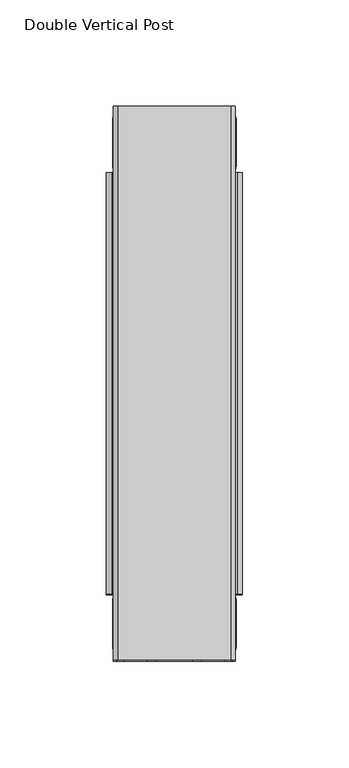
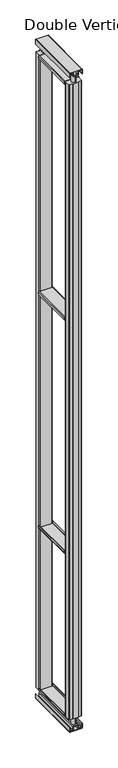
"""IFC4 building model written with IfcOpenShell, lengths in millimetres: proxy geometry, Double Vertical Post."""

from ifc_helpers import new_model, si_unit, point, frame, frame_2d, origin, place, context, project, spatial, polyline, circle_curve, trimmed, segment, composite_curve, outline, extrude, source, transform, mapped, element, save


def double_vertical_post_fbb69291(model_context):
    return source(origin(), model_context, "Body", "SweptSolid", [
        extrude(outline(composite_curve([segment(trimmed(circle_curve(frame_2d((105.9844667, 9.4130426)), 9.647555), [point((105.9844667, 19.0605976))], [point((105.9844667, -0.2345124))], False, "CARTESIAN"), True, "CONTINUOUS"), segment(trimmed(circle_curve(frame_2d((105.9844667, 9.4130426)), 9.647555), [point((105.9844667, -0.2345124))], [point((105.9844667, 19.0605976))], False, "CARTESIAN"), True, "CONTINUOUS")], self_intersect=False)), frame((0.0, 0.0, 22.59584), z_axis=(0.0, 0.0, 1.0), x_axis=(1.0, 0.0, 0.0)), (0.0, 0.0, 1.0), 3040.90832),
        extrude(outline(composite_curve([segment(trimmed(circle_curve(frame_2d((105.9844667, 237.2304325)), 9.647555), [point((105.9844667, 246.8779875))], [point((105.9844667, 227.5828775))], False, "CARTESIAN"), True, "CONTINUOUS"), segment(trimmed(circle_curve(frame_2d((105.9844667, 237.2304325)), 9.647555), [point((105.9844667, 227.5828775))], [point((105.9844667, 246.8779875))], False, "CARTESIAN"), True, "CONTINUOUS")], self_intersect=False)), frame((0.0, 0.0, 22.59584), z_axis=(0.0, 0.0, 1.0), x_axis=(1.0, 0.0, 0.0)), (0.0, 0.0, 1.0), 3040.90832),
        extrude(outline(composite_curve([segment(polyline([(1.2192, 78.5905667), (22.1742, 78.5905667), (22.1742, 77.3713667), (2.2593983, 77.3713667)]), True, "CONTINUOUS"), segment(trimmed(circle_curve(frame_2d((2.2593983, 79.630765)), 2.2593983), [point((2.2593983, 77.3713667))], [point((0.0, 79.630765))], False, "CARTESIAN"), True, "CONTINUOUS"), segment(polyline([(0.0, 79.630765), (0.0, 132.4154333)]), True, "CONTINUOUS"), segment(trimmed(circle_curve(frame_2d((2.1821334, 132.4154333)), 2.1821334), [point((0.0, 132.4154333))], [point((2.1821334, 134.5975667))], False, "CARTESIAN"), True, "CONTINUOUS"), segment(polyline([(2.1821334, 134.5975667), (22.1742, 134.5975667), (22.1742, 133.3783667), (1.2192, 133.3783667), (1.2192, 78.5905667)]), True, "CONTINUOUS")], self_intersect=False)), frame((0.0, -6.8532625, 0.0), z_axis=(0.0, 1.0, 0.0), x_axis=(0.0, 0.0, 1.0)), (0.0, 0.0, 1.0), 260.35),
        extrude(outline(composite_curve([segment(polyline([(6.21284, 82.2208617), (15.875, 82.2208617), (15.875, 79.1830217), (3.175, 79.1830217), (3.175, 96.3280217), (19.558, 96.3280217), (19.558, 115.6320217), (3.175, 115.6320217), (3.175, 132.7770217), (15.875, 132.7770217), (15.875, 129.7391817), (6.21284, 129.7391817), (6.21284, 118.6698617), (18.2719045, 118.6698617)]), True, "CONTINUOUS"), segment(trimmed(circle_curve(frame_2d((18.2719045, 114.3459261)), 4.3239355), [point((18.2719045, 118.6698617))], [point((22.59584, 114.3459261))], False, "CARTESIAN"), True, "CONTINUOUS"), segment(polyline([(22.59584, 114.3459261), (22.59584, 97.5442401)]), True, "CONTINUOUS"), segment(trimmed(circle_curve(frame_2d((18.3417816, 97.5442401)), 4.2540584), [point((22.59584, 97.5442401))], [point((18.3417816, 93.2901817))], False, "CARTESIAN"), True, "CONTINUOUS"), segment(polyline([(18.3417816, 93.2901817), (6.21284, 93.2901817), (6.21284, 82.2208617)]), True, "CONTINUOUS")], self_intersect=False)), frame((0.0, -6.8532625, 0.0), z_axis=(0.0, 1.0, 0.0), x_axis=(0.0, 0.0, 1.0)), (0.0, 0.0, 1.0), 260.35),
        extrude(outline(composite_curve([segment(polyline([(3079.88716, 82.2208617), (3079.88716, 93.2901817), (3068.2687642, 93.2901817)]), True, "CONTINUOUS"), segment(trimmed(circle_curve(frame_2d((3068.2687642, 98.0547859)), 4.7646042), [point((3068.2687642, 93.2901817))], [point((3063.50416, 98.0547859))], False, "CARTESIAN"), True, "CONTINUOUS"), segment(polyline([(3063.50416, 98.0547859), (3063.50416, 114.0450554)]), True, "CONTINUOUS"), segment(trimmed(circle_curve(frame_2d((3068.1289663, 114.0450554)), 4.6248063), [point((3063.50416, 114.0450554))], [point((3068.1289663, 118.6698617))], False, "CARTESIAN"), True, "CONTINUOUS"), segment(polyline([(3068.1289663, 118.6698617), (3079.88716, 118.6698617), (3079.88716, 129.7391817), (3070.225, 129.7391817), (3070.225, 132.7770217), (3082.925, 132.7770217), (3082.925, 115.6320217), (3066.542, 115.6320217), (3066.542, 96.3280217), (3082.925, 96.3280217), (3082.925, 79.1830217), (3070.225, 79.1830217), (3070.225, 82.2208617), (3079.88716, 82.2208617)]), True, "CONTINUOUS")], self_intersect=False)), frame((0.0, -6.8532625, 0.0), z_axis=(0.0, 1.0, 0.0), x_axis=(0.0, 0.0, 1.0)), (0.0, 0.0, 1.0), 260.35),
        extrude(outline(composite_curve([segment(polyline([(3063.9258, 133.3783667), (3063.9258, 134.5975667), (3083.8879927, 134.5975667)]), True, "CONTINUOUS"), segment(trimmed(circle_curve(frame_2d((3083.8879927, 132.3855594)), 2.2120073), [point((3083.8879927, 134.5975667))], [point((3086.1, 132.3855594))], False, "CARTESIAN"), True, "CONTINUOUS"), segment(polyline([(3086.1, 132.3855594), (3086.1, 79.4363457)]), True, "CONTINUOUS"), segment(trimmed(circle_curve(frame_2d((3084.035021, 79.4363457)), 2.064979), [point((3086.1, 79.4363457))], [point((3084.035021, 77.3713667))], False, "CARTESIAN"), True, "CONTINUOUS"), segment(polyline([(3084.035021, 77.3713667), (3063.9258, 77.3713667), (3063.9258, 78.5905667), (3084.8808, 78.5905667), (3084.8808, 133.3783667), (3063.9258, 133.3783667)]), True, "CONTINUOUS")], self_intersect=False)), frame((0.0, -6.8532625, 0.0), z_axis=(0.0, 1.0, 0.0), x_axis=(0.0, 0.0, 1.0)), (0.0, 0.0, 1.0), 260.35),
        extrude(outline(composite_curve([segment(polyline([(3017.1877494, 137.9122667), (3027.5648238, 137.9122667)]), True, "CONTINUOUS"), segment(trimmed(circle_curve(frame_2d((3027.5648238, 135.5893411)), 2.3229256), [point((3027.5648238, 137.9122667))], [point((3029.8877494, 135.5893411))], False, "CARTESIAN"), True, "CONTINUOUS"), segment(polyline([(3029.8877494, 135.5893411), (3029.8877494, 76.515637)]), True, "CONTINUOUS"), segment(trimmed(circle_curve(frame_2d((3027.4287791, 76.515637)), 2.4589703), [point((3029.8877494, 76.515637))], [point((3027.4287791, 74.0566667))], False, "CARTESIAN"), True, "CONTINUOUS"), segment(polyline([(3027.4287791, 74.0566667), (3017.1877494, 74.0566667), (3017.1877494, 75.6441667), (3027.4624022, 75.6441667)]), True, "CONTINUOUS"), segment(trimmed(circle_curve(frame_2d((3027.4624022, 76.4820139)), 0.8378472), [point((3027.4624022, 75.6441667))], [point((3028.3002494, 76.4820139))], True, "CARTESIAN"), True, "CONTINUOUS"), segment(polyline([(3028.3002494, 76.4820139), (3028.3002494, 135.3009499)]), True, "CONTINUOUS"), segment(trimmed(circle_curve(frame_2d((3027.2764326, 135.3009499)), 1.0238168), [point((3028.3002494, 135.3009499))], [point((3027.2764326, 136.3247667))], True, "CARTESIAN"), True, "CONTINUOUS"), segment(polyline([(3027.2764326, 136.3247667), (3017.1877494, 136.3247667), (3017.1877494, 137.9122667)]), True, "CONTINUOUS")], self_intersect=False)), frame((0.0, 24.3217375, 0.0), z_axis=(0.0, 1.0, 0.0), x_axis=(0.0, 0.0, 1.0)), (0.0, 0.0, 1.0), 198.0),
        extrude(outline(composite_curve([segment(polyline([(1912.2877494, 137.9122667), (1922.5181301, 137.9122667)]), True, "CONTINUOUS"), segment(trimmed(circle_curve(frame_2d((1922.5181301, 135.4426474)), 2.4696193), [point((1922.5181301, 137.9122667))], [point((1924.9877494, 135.4426474))], False, "CARTESIAN"), True, "CONTINUOUS"), segment(polyline([(1924.9877494, 135.4426474), (1924.9877494, 76.8011731)]), True, "CONTINUOUS"), segment(trimmed(circle_curve(frame_2d((1922.243243, 76.8011731)), 2.7445064), [point((1924.9877494, 76.8011731))], [point((1922.243243, 74.0566667))], False, "CARTESIAN"), True, "CONTINUOUS"), segment(polyline([(1922.243243, 74.0566667), (1912.2877494, 74.0566667), (1912.2877494, 75.6441667), (1922.589607, 75.6441667)]), True, "CONTINUOUS"), segment(trimmed(circle_curve(frame_2d((1922.589607, 76.4548091)), 0.8106424), [point((1922.589607, 75.6441667))], [point((1923.4002494, 76.4548091))], True, "CARTESIAN"), True, "CONTINUOUS"), segment(polyline([(1923.4002494, 76.4548091), (1923.4002494, 135.3843411)]), True, "CONTINUOUS"), segment(trimmed(circle_curve(frame_2d((1922.4598238, 135.3843411)), 0.9404256), [point((1923.4002494, 135.3843411))], [point((1922.4598238, 136.3247667))], True, "CARTESIAN"), True, "CONTINUOUS"), segment(polyline([(1922.4598238, 136.3247667), (1912.2877494, 136.3247667), (1912.2877494, 137.9122667)]), True, "CONTINUOUS")], self_intersect=False)), frame((0.0, 24.3217375, 0.0), z_axis=(0.0, 1.0, 0.0), x_axis=(0.0, 0.0, 1.0)), (0.0, 0.0, 1.0), 198.0),
        extrude(outline(composite_curve([segment(polyline([(830.8848, 74.0566667), (820.8647798, 74.0566667)]), True, "CONTINUOUS"), segment(trimmed(circle_curve(frame_2d((820.8647798, 76.7366464)), 2.6799798), [point((820.8647798, 74.0566667))], [point((818.1848, 76.7366464))], False, "CARTESIAN"), True, "CONTINUOUS"), segment(polyline([(818.1848, 76.7366464), (818.1848, 135.2845647)]), True, "CONTINUOUS"), segment(trimmed(circle_curve(frame_2d((820.812502, 135.2845647)), 2.627702), [point((818.1848, 135.2845647))], [point((820.812502, 137.9122667))], False, "CARTESIAN"), True, "CONTINUOUS"), segment(polyline([(820.812502, 137.9122667), (830.8848, 137.9122667), (830.8848, 136.3247667), (820.7311586, 136.3247667)]), True, "CONTINUOUS"), segment(trimmed(circle_curve(frame_2d((820.7311586, 135.3659081)), 0.9588586), [point((820.7311586, 136.3247667))], [point((819.7723, 135.3659081))], True, "CARTESIAN"), True, "CONTINUOUS"), segment(polyline([(819.7723, 135.3659081), (819.7723, 76.7047433)]), True, "CONTINUOUS"), segment(trimmed(circle_curve(frame_2d((820.8328766, 76.7047433)), 1.0605766), [point((819.7723, 76.7047433))], [point((820.8328766, 75.6441667))], True, "CARTESIAN"), True, "CONTINUOUS"), segment(polyline([(820.8328766, 75.6441667), (830.8848, 75.6441667), (830.8848, 74.0566667)]), True, "CONTINUOUS")], self_intersect=False)), frame((0.0, 24.3217375, 0.0), z_axis=(0.0, 1.0, 0.0), x_axis=(0.0, 0.0, 1.0)), (0.0, 0.0, 1.0), 198.0),
        extrude(outline(composite_curve([segment(polyline([(58.8357878, 137.9122667), (68.8848, 137.9122667), (68.8848, 136.3247667), (58.6926169, 136.3247667)]), True, "CONTINUOUS"), segment(trimmed(circle_curve(frame_2d((58.6926169, 135.4044497)), 0.9203169), [point((58.6926169, 136.3247667))], [point((57.7723, 135.4044497))], True, "CARTESIAN"), True, "CONTINUOUS"), segment(polyline([(57.7723, 135.4044497), (57.7723, 76.4477156)]), True, "CONTINUOUS"), segment(trimmed(circle_curve(frame_2d((58.5758489, 76.4477156)), 0.8035489), [point((57.7723, 76.4477156))], [point((58.5758489, 75.6441667))], True, "CARTESIAN"), True, "CONTINUOUS"), segment(polyline([(58.5758489, 75.6441667), (68.8848, 75.6441667), (68.8848, 74.0566667), (58.8694686, 74.0566667)]), True, "CONTINUOUS"), segment(trimmed(circle_curve(frame_2d((58.8694686, 76.7413353)), 2.6846686), [point((58.8694686, 74.0566667))], [point((56.1848, 76.7413353))], False, "CARTESIAN"), True, "CONTINUOUS"), segment(polyline([(56.1848, 76.7413353), (56.1848, 135.2612789)]), True, "CONTINUOUS"), segment(trimmed(circle_curve(frame_2d((58.8357878, 135.2612789)), 2.6509878), [point((56.1848, 135.2612789))], [point((58.8357878, 137.9122667))], False, "CARTESIAN"), True, "CONTINUOUS")], self_intersect=False)), frame((0.0, 24.3217375, 0.0), z_axis=(0.0, 1.0, 0.0), x_axis=(0.0, 0.0, 1.0)), (0.0, 0.0, 1.0), 198.0),
        extrude(outline(composite_curve([segment(polyline([(118.6844667, 253.4967375), (118.6844667, 250.3217375), (132.1972667, 250.3217375)]), True, "CONTINUOUS"), segment(trimmed(circle_curve(frame_2d((132.1972667, 247.5277375)), 2.794), [point((132.1972667, 250.3217375))], [point((134.9912667, 247.5277375))], False, "CARTESIAN"), True, "CONTINUOUS"), segment(polyline([(134.9912667, 247.5277375), (134.9912667, 225.1157375)]), True, "CONTINUOUS"), segment(trimmed(circle_curve(frame_2d((132.1972667, 225.1157375)), 2.794), [point((134.9912667, 225.1157375))], [point((132.1972667, 222.3217375))], False, "CARTESIAN"), True, "CONTINUOUS"), segment(polyline([(132.1972667, 222.3217375), (79.7716667, 222.3217375)]), True, "CONTINUOUS"), segment(trimmed(circle_curve(frame_2d((79.7716667, 225.1157375)), 2.794), [point((79.7716667, 222.3217375))], [point((76.9776667, 225.1157375))], False, "CARTESIAN"), True, "CONTINUOUS"), segment(polyline([(76.9776667, 225.1157375), (76.9776667, 247.5277375)]), True, "CONTINUOUS"), segment(trimmed(circle_curve(frame_2d((79.7716667, 247.5277375)), 2.794), [point((76.9776667, 247.5277375))], [point((79.7716667, 250.3217375))], False, "CARTESIAN"), True, "CONTINUOUS"), segment(polyline([(79.7716667, 250.3217375), (93.2844667, 250.3217375), (93.2844667, 253.4967375), (118.6844667, 253.4967375)]), True, "CONTINUOUS")], self_intersect=False)), frame((0.0, 0.0, 57.15), z_axis=(0.0, 0.0, 1.0), x_axis=(1.0, 0.0, 0.0)), (0.0, 0.0, 1.0), 2971.8957122),
        extrude(outline(composite_curve([segment(polyline([(118.6844667, -6.8532625), (93.2844667, -6.8532625), (93.2844667, -3.6782625), (79.7716667, -3.6782625)]), True, "CONTINUOUS"), segment(trimmed(circle_curve(frame_2d((79.7716667, -0.8842625)), 2.794), [point((79.7716667, -3.6782625))], [point((76.9776667, -0.8842625))], False, "CARTESIAN"), True, "CONTINUOUS"), segment(polyline([(76.9776667, -0.8842625), (76.9776667, 21.5277375)]), True, "CONTINUOUS"), segment(trimmed(circle_curve(frame_2d((79.7716667, 21.5277375)), 2.794), [point((76.9776667, 21.5277375))], [point((79.7716667, 24.3217375))], False, "CARTESIAN"), True, "CONTINUOUS"), segment(polyline([(79.7716667, 24.3217375), (132.1972667, 24.3217375)]), True, "CONTINUOUS"), segment(trimmed(circle_curve(frame_2d((132.1972667, 21.5277375)), 2.794), [point((132.1972667, 24.3217375))], [point((134.9912667, 21.5277375))], False, "CARTESIAN"), True, "CONTINUOUS"), segment(polyline([(134.9912667, 21.5277375), (134.9912667, -0.8842625)]), True, "CONTINUOUS"), segment(trimmed(circle_curve(frame_2d((132.1972667, -0.8842625)), 2.794), [point((134.9912667, -0.8842625))], [point((132.1972667, -3.6782625))], False, "CARTESIAN"), True, "CONTINUOUS"), segment(polyline([(132.1972667, -3.6782625), (118.6844667, -3.6782625), (118.6844667, -6.8532625)]), True, "CONTINUOUS")], self_intersect=False)), frame((0.0, 0.0, 57.15), z_axis=(0.0, 0.0, 1.0), x_axis=(1.0, 0.0, 0.0)), (0.0, 0.0, 1.0), 2971.8957122),
    ])


if __name__ == "__main__":
    model = new_model("IFC4")
    model_context = context("Model", 3, world=origin())
    ifc_project = project(units=[si_unit("LENGTHUNIT", "METRE", prefix="MILLI")], contexts=[model_context])
    site = spatial("IfcSite", under=ifc_project)
    building = spatial("IfcBuilding", under=site)
    placement = place(None, origin())
    double_vertical_post_shape = double_vertical_post_fbb69291(model_context)
    element("IfcBuildingElementProxy", 1, Name="Double Vertical Post", ObjectType="Double Vertical Post", at=placement, inside=building, context=model_context, shape_type="MappedRepresentation", body=[
        mapped(double_vertical_post_shape, transform((0.0, 0.0, 0.0), x_axis=(1.0, 0.0, 0.0), y_axis=(0.0, 1.0, 0.0), z_axis=(0.0, 0.0, 1.0))),
    ])
    save(model, "model.ifc")
